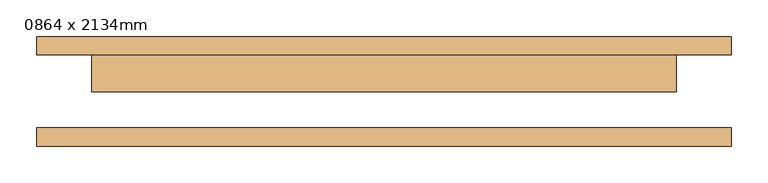
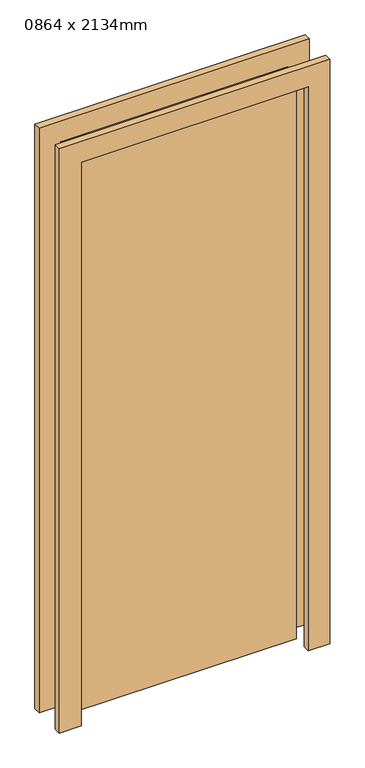
"""IFC4 building model written with IfcOpenShell, lengths in millimetres: door geometry, 0864 x 2134mm."""

from ifc_helpers import new_model, si_unit, frame, origin, origin_with_axes, place, context, project, spatial, polyline, outline, extrude, source, transform, mapped, element, save


def door_0864_x_2134mm_5931a049(model_context):
    return source(origin(), model_context, "Body", "SweptSolid", [
        extrude(outline(polyline([(2176.0, -476.0), (0.0, -476.0), (0.0, -400.0), (2100.0, -400.0), (2100.0, 400.0), (0.0, 400.0), (0.0, 476.0), (2176.0, 476.0), (2176.0, -476.0)])), frame((0.0, 50.0, 0.0), z_axis=(0.0, 1.0, 0.0), x_axis=(0.0, 0.0, 1.0)), (0.0, 0.0, 1.0), 25.0),
        extrude(outline(polyline([(2176.0, 476.0), (2176.0, -476.0), (0.0, -476.0), (0.0, -400.0), (2100.0, -400.0), (2100.0, 400.0), (0.0, 400.0), (0.0, 476.0), (2176.0, 476.0)])), frame((0.0, -75.0, 0.0), z_axis=(0.0, 1.0, 0.0), x_axis=(0.0, 0.0, 1.0)), (0.0, 0.0, 1.0), 25.0),
        extrude(outline(polyline([(400.0, -1.0), (-400.0, -1.0), (-400.0, 50.0), (400.0, 50.0), (400.0, -1.0)])), origin_with_axes(), (0.0, 0.0, 1.0), 2100.0),
    ])


if __name__ == "__main__":
    model = new_model("IFC4")
    model_context = context("Model", 3, world=origin())
    ifc_project = project(units=[si_unit("LENGTHUNIT", "METRE", prefix="MILLI")], contexts=[model_context])
    site = spatial("IfcSite", under=ifc_project)
    building = spatial("IfcBuilding", under=site)
    placement = place(None, origin())
    door_0864_x_2134mm_shape = door_0864_x_2134mm_5931a049(model_context)
    element("IfcDoor", 1, ObjectType="0864 x 2134mm", at=placement, inside=building, context=model_context, shape_type="MappedRepresentation", body=[
        mapped(door_0864_x_2134mm_shape, transform((0.0, 0.0, 0.0), x_axis=(1.0, 0.0, 0.0), y_axis=(0.0, 1.0, 0.0), z_axis=(0.0, 0.0, 1.0))),
    ])
    save(model, "model.ifc")
